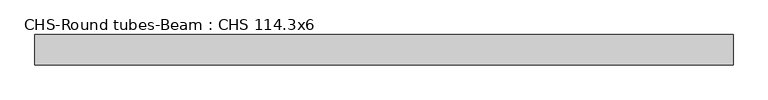
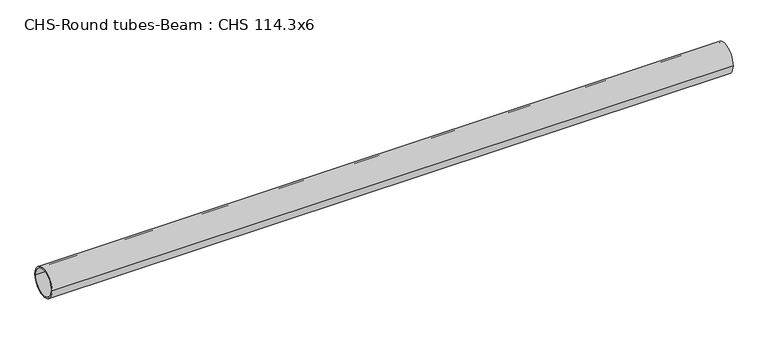
"""IFC4 building model written with IfcOpenShell, lengths in millimetres: beam geometry, CHS-Round tubes-Beam : CHS 114.3x6."""

from ifc_helpers import new_model, si_unit, point, frame, origin, origin_2d, place, context, project, spatial, circle_curve, trimmed, segment, composite_curve, outline, extrude, source, transform, mapped, element, save


def chs_round_tubes_beam_chs_114_3x6_5b917fbd(model_context):
    return source(origin(), model_context, "Body", "SweptSolid", [
        extrude(outline(composite_curve([segment(trimmed(circle_curve(origin_2d(), 57.15), [point((57.15, 0.0))], [point((-57.15, 0.0))], False, "CARTESIAN"), True, "CONTINUOUS"), segment(trimmed(circle_curve(origin_2d(), 57.15), [point((-57.15, 0.0))], [point((57.15, 0.0))], False, "CARTESIAN"), True, "CONTINUOUS")], self_intersect=False), holes=[composite_curve([segment(trimmed(circle_curve(origin_2d(), 51.15), [point((51.15, 0.0))], [point((-51.15, 0.0))], True, "CARTESIAN"), True, "CONTINUOUS"), segment(trimmed(circle_curve(origin_2d(), 51.15), [point((-51.15, 0.0))], [point((51.15, 0.0))], True, "CARTESIAN"), True, "CONTINUOUS")], self_intersect=False)]), frame((-1289.3410439, 0.0, 0.0), z_axis=(1.0, 0.0, 0.0), x_axis=(0.0, 1.0, 0.0)), (0.0, 0.0, 1.0), 2639.1537292),
    ])


if __name__ == "__main__":
    model = new_model("IFC4")
    model_context = context("Model", 3, world=origin())
    ifc_project = project(units=[si_unit("LENGTHUNIT", "METRE", prefix="MILLI")], contexts=[model_context])
    site = spatial("IfcSite", under=ifc_project)
    building = spatial("IfcBuilding", under=site)
    placement = place(None, origin())
    chs_round_tubes_beam_chs_114_3x6_shape = chs_round_tubes_beam_chs_114_3x6_5b917fbd(model_context)
    element("IfcBeam", 1, ObjectType="CHS-Round tubes-Beam : CHS 114.3x6", at=placement, inside=building, context=model_context, shape_type="MappedRepresentation", body=[
        mapped(chs_round_tubes_beam_chs_114_3x6_shape, transform((0.0, 0.0, 0.0), x_axis=(1.0, 0.0, 0.0), y_axis=(0.0, 1.0, 0.0), z_axis=(0.0, 0.0, 1.0))),
    ])
    save(model, "model.ifc")
